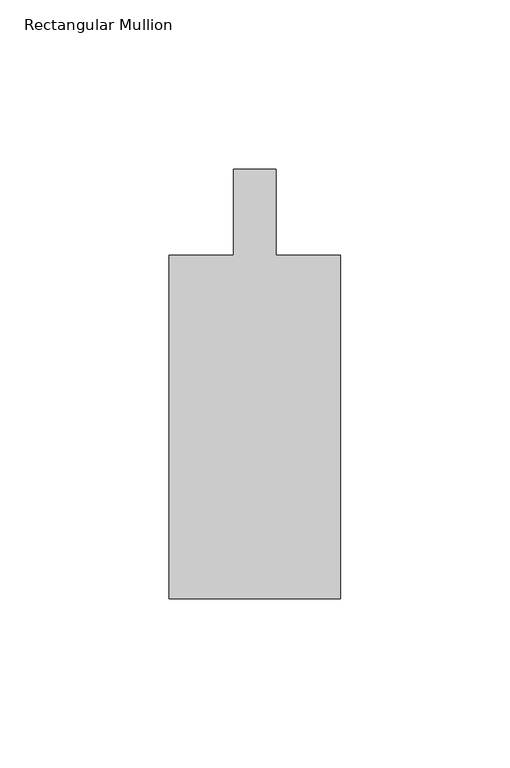
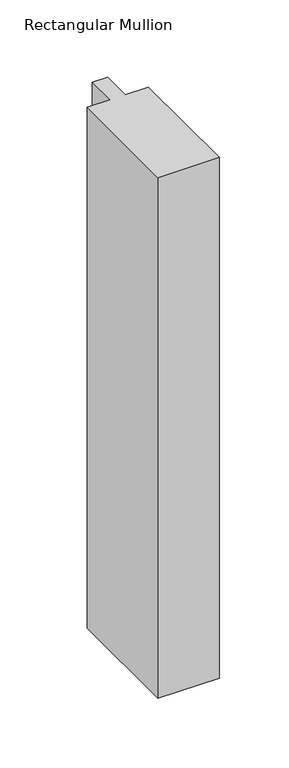
"""IFC4 building model written with IfcOpenShell, lengths in millimetres: member geometry, Rectangular Mullion."""

from ifc_helpers import new_model, si_unit, frame, origin, place, context, project, spatial, polyline, outline, extrude, source, transform, mapped, element, save


def rectangular_mullion_97a71335(model_context):
    return source(origin(), model_context, "Body", "SweptSolid", [
        extrude(outline(polyline([(25.4001903, -152.4000274), (-25.3998097, -152.4000274), (-25.3998097, -50.8000274), (-6.3498097, -50.8000274), (-6.3498097, -25.4000549), (6.3498097, -25.4000549), (6.3498097, -50.8000274), (25.4001903, -50.8000274), (25.4001903, -152.4000274)])), frame((0.0, 0.0, -457.2), z_axis=(0.0, 0.0, 1.0), x_axis=(1.0, 0.0, 0.0)), (0.0, 0.0, 1.0), 457.2),
    ])


if __name__ == "__main__":
    model = new_model("IFC4")
    model_context = context("Model", 3, world=origin())
    ifc_project = project(units=[si_unit("LENGTHUNIT", "METRE", prefix="MILLI")], contexts=[model_context])
    site = spatial("IfcSite", under=ifc_project)
    building = spatial("IfcBuilding", under=site)
    placement = place(None, origin())
    rectangular_mullion_shape = rectangular_mullion_97a71335(model_context)
    element("IfcMember", 1, ObjectType="Rectangular Mullion", at=placement, inside=building, context=model_context, shape_type="MappedRepresentation", body=[
        mapped(rectangular_mullion_shape, transform((0.0, 0.0, 0.0), x_axis=(1.0, 0.0, 0.0), y_axis=(0.0, 1.0, 0.0), z_axis=(0.0, 0.0, 1.0))),
    ])
    save(model, "model.ifc")
